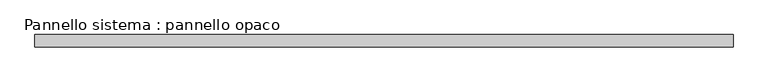
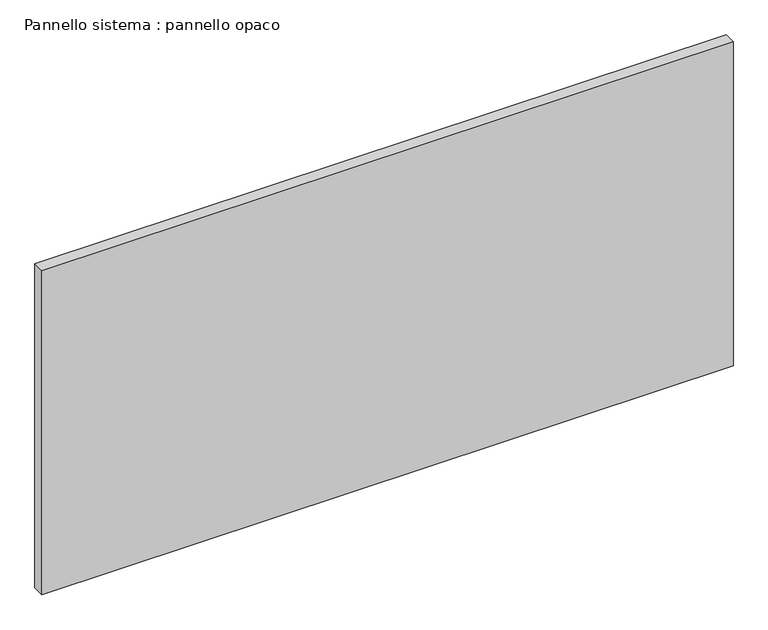
"""IFC4 building model written with IfcOpenShell, lengths in millimetres: plate geometry, Pannello sistema : pannello opaco."""

from ifc_helpers import new_model, si_unit, origin, origin_with_axes, place, context, project, spatial, polyline, outline, extrude, source, transform, mapped, element, save


def pannello_sistema_pannello_opaco_f35af056(model_context):
    return source(origin(), model_context, "Body", "SweptSolid", [
        extrude(outline(polyline([(862.5000002, -15.0), (-862.5000002, -15.0), (-862.5000002, 15.0), (862.5000002, 15.0), (862.5000002, -15.0)])), origin_with_axes(), (0.0, 0.0, 1.0), 855.0),
    ])


if __name__ == "__main__":
    model = new_model("IFC4")
    model_context = context("Model", 3, world=origin())
    ifc_project = project(units=[si_unit("LENGTHUNIT", "METRE", prefix="MILLI")], contexts=[model_context])
    site = spatial("IfcSite", under=ifc_project)
    building = spatial("IfcBuilding", under=site)
    placement = place(None, origin())
    pannello_sistema_pannello_opaco_shape = pannello_sistema_pannello_opaco_f35af056(model_context)
    element("IfcPlate", 1, ObjectType="Pannello sistema : pannello opaco", at=placement, inside=building, context=model_context, shape_type="MappedRepresentation", body=[
        mapped(pannello_sistema_pannello_opaco_shape, transform((0.0, 0.0, 0.0), x_axis=(1.0, 0.0, 0.0), y_axis=(0.0, 1.0, 0.0), z_axis=(0.0, 0.0, 1.0))),
    ])
    save(model, "model.ifc")
